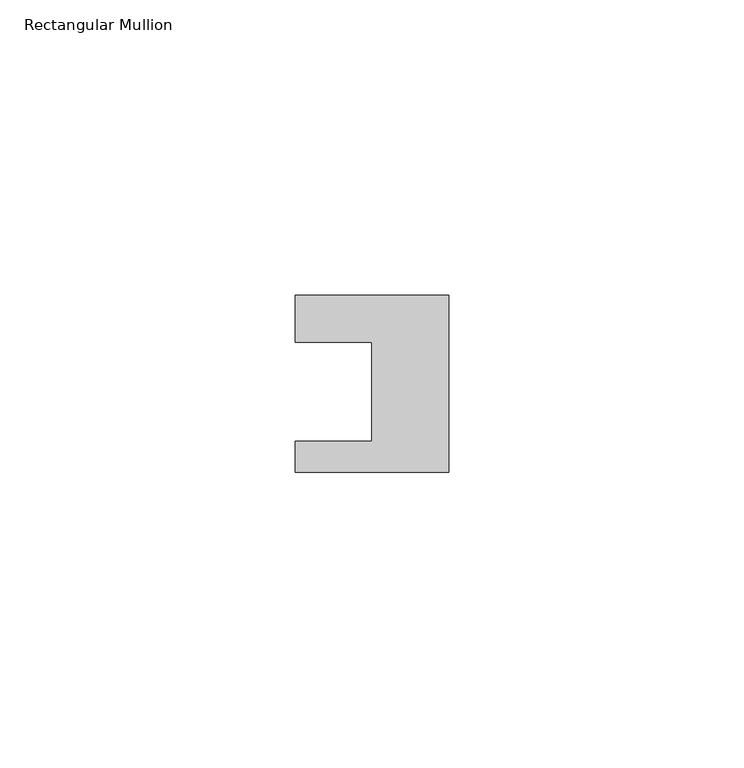
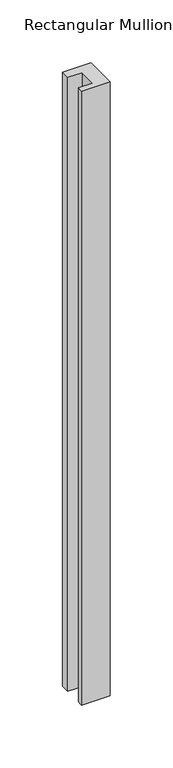
"""IFC4 building model written with IfcOpenShell, lengths in millimetres: member geometry, Rectangular Mullion."""

from ifc_helpers import new_model, si_unit, frame, origin, place, context, project, spatial, polyline, outline, extrude, source, transform, mapped, element, save


def rectangular_mullion_75e8cfa8(model_context):
    return source(origin(), model_context, "Body", "SweptSolid", [
        extrude(outline(polyline([(-26.0, 0.001), (-26.0, 7.94), (0.0, 7.94), (0.0, -22.06), (-26.0, -22.06), (-26.0, -16.8), (-13.0, -16.8), (-13.0, 0.001), (-26.0, 0.001)])), frame((0.0, 0.0, -594.8963605), z_axis=(0.0, 0.0, 1.0), x_axis=(1.0, 0.0, 0.0)), (0.0, 0.0, 1.0), 594.8963605),
    ])


if __name__ == "__main__":
    model = new_model("IFC4")
    model_context = context("Model", 3, world=origin())
    ifc_project = project(units=[si_unit("LENGTHUNIT", "METRE", prefix="MILLI")], contexts=[model_context])
    site = spatial("IfcSite", under=ifc_project)
    building = spatial("IfcBuilding", under=site)
    placement = place(None, origin())
    rectangular_mullion_shape = rectangular_mullion_75e8cfa8(model_context)
    element("IfcMember", 1, ObjectType="Rectangular Mullion", at=placement, inside=building, context=model_context, shape_type="MappedRepresentation", body=[
        mapped(rectangular_mullion_shape, transform((0.0, 0.0, 0.0), x_axis=(1.0, 0.0, 0.0), y_axis=(0.0, 1.0, 0.0), z_axis=(0.0, 0.0, 1.0))),
    ])
    save(model, "model.ifc")
